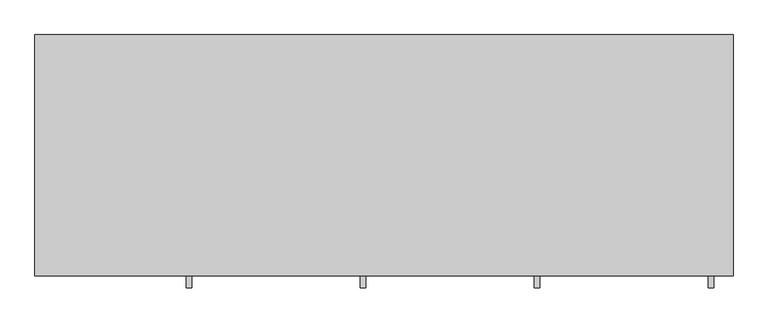
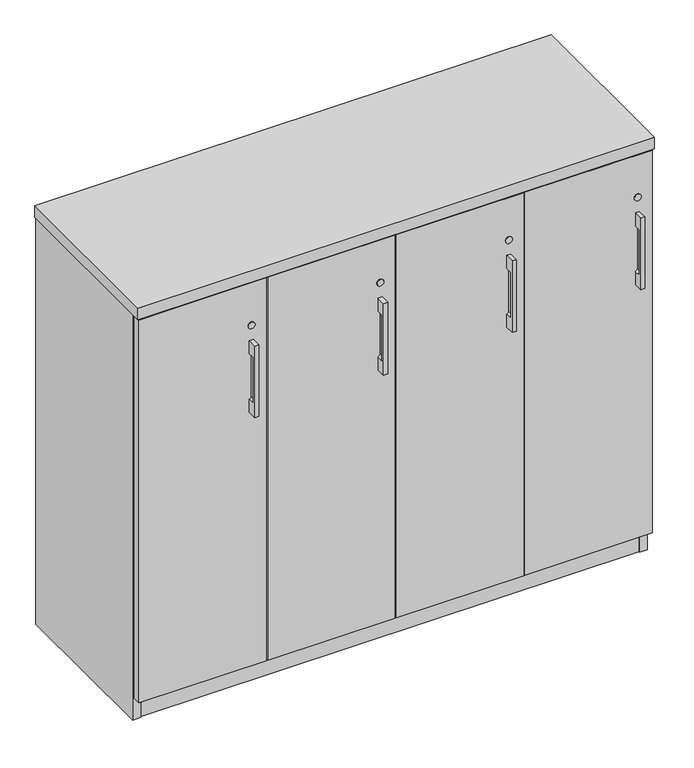
"""IFC4 building model written with IfcOpenShell, lengths in millimetres: furniture geometry."""

from ifc_helpers import new_model, si_unit, point, frame, frame_2d, origin, origin_with_axes, place, context, project, spatial, polyline, circle_curve, trimmed, segment, composite_curve, outline, extrude, source, transform, mapped, element, save
from ifc_brep_helpers import plane_surface, revolved_surface, advanced_brep


def furniture_5c139819(model_context):
    return source(origin(), model_context, "Body", "SolidModel", [
        advanced_brep(
        [(262.7312421, -447.8115021, 869.3658), (262.7312421, -447.8115021, 691.5658), (272.2562421, -447.8115021, 691.5658), (272.2562421, -447.8115021, 869.3658), (262.7312421, -425.5865021, 869.3658), (272.2562421, -425.5865021, 869.3658), (272.2562421, -425.5865021, 691.5658), (262.7312421, -425.5865021, 691.5658), (262.7312421, -425.5865021, 723.5174389), (267.4937421, -425.5865021, 729.6658), (267.4937421, -425.5865021, 831.2658), (262.7312421, -425.5865021, 837.4141611), (262.7312421, -441.523499, 837.4141611), (262.7312421, -441.523499, 723.5174389), (267.4937421, -441.523499, 831.2658), (267.4937421, -441.523499, 729.6658)],
        [
            (0, 1),
            (1, 2),
            (2, 3),
            (3, 0),
            (4, 5),
            (5, 6),
            (6, 7),
            (7, 8),
            (8, 9, circle_curve(frame((261.1437421, -425.5865021, 729.6658), z_axis=(0.0, -1.0, 0.0), x_axis=(1.0, 0.0, 0.0)), 6.35)),
            (9, 10),
            (10, 11, circle_curve(frame((261.1437421, -425.5865021, 831.2658), z_axis=(0.0, -1.0, 0.0), x_axis=(1.0, 0.0, 0.0)), 6.35)),
            (11, 4),
            (0, 4),
            (11, 12),
            (12, 13),
            (13, 8),
            (7, 1),
            (6, 2),
            (5, 3),
            (14, 15),
            (15, 13, circle_curve(frame((261.1437421, -441.523499, 729.6658), z_axis=(0.0, 1.0, 0.0), x_axis=(1.0, 0.0, 0.0)), 6.35)),
            (12, 14, circle_curve(frame((261.1437421, -441.523499, 831.2658), z_axis=(0.0, 1.0, 0.0), x_axis=(1.0, 0.0, 0.0)), 6.35)),
            (14, 10),
            (9, 15),
        ],
        [
            plane_surface(frame((262.7312421, -447.8115021, 691.5658), z_axis=(0.0, -1.0, 0.0), x_axis=(0.0, 0.0, -1.0))),
            plane_surface(frame((262.7312421, -425.5865021, 691.5658), z_axis=(0.0, 1.0, 0.0), x_axis=(0.0, 0.0, 1.0))),
            plane_surface(frame((262.7312421, -447.8115021, 869.3658), z_axis=(-1.0, 0.0, 0.0), x_axis=(0.0, 1.0, 0.0))),
            plane_surface(frame((262.7312421, -447.8115021, 691.5658), z_axis=(0.0, 0.0, -1.0), x_axis=(0.0, 1.0, 0.0))),
            plane_surface(frame((272.2562421, -447.8115021, 691.5658), z_axis=(1.0, 0.0, 0.0), x_axis=(0.0, 1.0, 0.0))),
            plane_surface(frame((272.2562421, -447.8115021, 869.3658), z_axis=(0.0, 0.0, 1.0), x_axis=(0.0, 1.0, 0.0))),
            plane_surface(frame((248.4437421, -441.523499, 837.6158), z_axis=(0.0, 1.0, 0.0), x_axis=(-1.0, 0.0, 0.0))),
            plane_surface(frame((267.4937421, -441.523499, 729.6658), z_axis=(-1.0, 0.0, 0.0), x_axis=(0.0, 1.0, 0.0))),
            revolved_surface(polyline([(267.4937421, -441.523499, 729.6658), (267.4937421, -425.5865021, 729.6658)]), (261.1437421, -425.5865021, 729.6658), (0.0, -1.0, 0.0)),
            revolved_surface(polyline([(267.4937421, -441.523499, 831.2658), (267.4937421, -425.5865021, 831.2658)]), (261.1437421, -425.5865021, 831.2658), (0.0, -1.0, 0.0)),
        ],
        [
            (0, [[1, 2, 3, 4]]),
            (1, [[5, 6, 7, 8, 9, 10, 11, 12]]),
            (2, [[-1, 13, -12, 14, 15, 16, -8, 17]]),
            (3, [[-2, -17, -7, 18]]),
            (4, [[-3, -18, -6, 19]]),
            (5, [[-4, -19, -5, -13]]),
            (6, [[20, 21, -15, 22]]),
            (7, [[-20, 23, -10, 24]]),
            (8, [[-24, -9, -16, -21]]),
            (9, [[-23, -22, -14, -11]]),
        ],
    ),
        advanced_brep(
        [(1169.9875158, -447.8115021, 869.3658), (1169.9875158, -447.8115021, 691.5658), (1179.5125158, -447.8115021, 691.5658), (1179.5125158, -447.8115021, 869.3658), (1169.9875158, -425.5865021, 869.3658), (1179.5125158, -425.5865021, 869.3658), (1179.5125158, -425.5865021, 691.5658), (1169.9875158, -425.5865021, 691.5658), (1169.9875158, -425.5865021, 723.5174389), (1174.7500158, -425.5865021, 729.6658), (1174.7500158, -425.5865021, 831.2658), (1169.9875158, -425.5865021, 837.4141611), (1169.9875158, -441.523499, 837.4141611), (1169.9875158, -441.523499, 723.5174389), (1174.7500158, -441.523499, 831.2658), (1174.7500158, -441.523499, 729.6658)],
        [
            (0, 1),
            (1, 2),
            (2, 3),
            (3, 0),
            (4, 5),
            (5, 6),
            (6, 7),
            (7, 8),
            (8, 9, circle_curve(frame((1168.4000158, -425.5865021, 729.6658), z_axis=(0.0, -1.0, 0.0), x_axis=(1.0, 0.0, 0.0)), 6.35)),
            (9, 10),
            (10, 11, circle_curve(frame((1168.4000158, -425.5865021, 831.2658), z_axis=(0.0, -1.0, 0.0), x_axis=(1.0, 0.0, 0.0)), 6.35)),
            (11, 4),
            (0, 4),
            (11, 12),
            (12, 13),
            (13, 8),
            (7, 1),
            (6, 2),
            (5, 3),
            (14, 15),
            (15, 13, circle_curve(frame((1168.4000158, -441.523499, 729.6658), z_axis=(0.0, 1.0, 0.0), x_axis=(1.0, 0.0, 0.0)), 6.35)),
            (12, 14, circle_curve(frame((1168.4000158, -441.523499, 831.2658), z_axis=(0.0, 1.0, 0.0), x_axis=(1.0, 0.0, 0.0)), 6.35)),
            (14, 10),
            (9, 15),
        ],
        [
            plane_surface(frame((1169.9875158, -447.8115021, 691.5658), z_axis=(0.0, -1.0, 0.0), x_axis=(0.0, 0.0, -1.0))),
            plane_surface(frame((1169.9875158, -425.5865021, 691.5658), z_axis=(0.0, 1.0, 0.0), x_axis=(0.0, 0.0, 1.0))),
            plane_surface(frame((1169.9875158, -447.8115021, 869.3658), z_axis=(-1.0, 0.0, 0.0), x_axis=(0.0, 1.0, 0.0))),
            plane_surface(frame((1169.9875158, -447.8115021, 691.5658), z_axis=(0.0, 0.0, -1.0), x_axis=(0.0, 1.0, 0.0))),
            plane_surface(frame((1179.5125158, -447.8115021, 691.5658), z_axis=(1.0, 0.0, 0.0), x_axis=(0.0, 1.0, 0.0))),
            plane_surface(frame((1179.5125158, -447.8115021, 869.3658), z_axis=(0.0, 0.0, 1.0), x_axis=(0.0, 1.0, 0.0))),
            plane_surface(frame((1155.7000158, -441.523499, 837.6158), z_axis=(0.0, 1.0, 0.0), x_axis=(-1.0, 0.0, 0.0))),
            plane_surface(frame((1174.7500158, -441.523499, 729.6658), z_axis=(-1.0, 0.0, 0.0), x_axis=(0.0, 1.0, 0.0))),
            revolved_surface(polyline([(1174.7500157999998, -441.523499, 729.6658), (1174.7500157999998, -425.5865021, 729.6658)]), (1168.4000158, -425.5865021, 729.6658), (0.0, -1.0, 0.0)),
            revolved_surface(polyline([(1174.7500157999998, -441.523499, 831.2658), (1174.7500157999998, -425.5865021, 831.2658)]), (1168.4000158, -425.5865021, 831.2658), (0.0, -1.0, 0.0)),
        ],
        [
            (0, [[1, 2, 3, 4]]),
            (1, [[5, 6, 7, 8, 9, 10, 11, 12]]),
            (2, [[-1, 13, -12, 14, 15, 16, -8, 17]]),
            (3, [[-2, -17, -7, 18]]),
            (4, [[-3, -18, -6, 19]]),
            (5, [[-4, -19, -5, -13]]),
            (6, [[20, 21, -15, 22]]),
            (7, [[-20, 23, -10, 24]]),
            (8, [[-24, -9, -16, -21]]),
            (9, [[-23, -22, -14, -11]]),
        ],
    ),
        advanced_brep(
        [(867.5687579, -447.8115021, 869.3658), (867.5687579, -447.8115021, 691.5658), (877.0937579, -447.8115021, 691.5658), (877.0937579, -447.8115021, 869.3658), (867.5687579, -425.5865021, 869.3658), (877.0937579, -425.5865021, 869.3658), (877.0937579, -425.5865021, 691.5658), (867.5687579, -425.5865021, 691.5658), (867.5687579, -425.5865021, 723.5174389), (872.3312579, -425.5865021, 729.6658), (872.3312579, -425.5865021, 831.2658), (867.5687579, -425.5865021, 837.4141611), (867.5687579, -441.523499, 837.4141611), (867.5687579, -441.523499, 723.5174389), (872.3312579, -441.523499, 831.2658), (872.3312579, -441.523499, 729.6658)],
        [
            (0, 1),
            (1, 2),
            (2, 3),
            (3, 0),
            (4, 5),
            (5, 6),
            (6, 7),
            (7, 8),
            (8, 9, circle_curve(frame((865.9812579, -425.5865021, 729.6658), z_axis=(0.0, -1.0, 0.0), x_axis=(1.0, 0.0, 0.0)), 6.35)),
            (9, 10),
            (10, 11, circle_curve(frame((865.9812579, -425.5865021, 831.2658), z_axis=(0.0, -1.0, 0.0), x_axis=(1.0, 0.0, 0.0)), 6.35)),
            (11, 4),
            (0, 4),
            (11, 12),
            (12, 13),
            (13, 8),
            (7, 1),
            (6, 2),
            (5, 3),
            (14, 15),
            (15, 13, circle_curve(frame((865.9812579, -441.523499, 729.6658), z_axis=(0.0, 1.0, 0.0), x_axis=(1.0, 0.0, 0.0)), 6.35)),
            (12, 14, circle_curve(frame((865.9812579, -441.523499, 831.2658), z_axis=(0.0, 1.0, 0.0), x_axis=(1.0, 0.0, 0.0)), 6.35)),
            (14, 10),
            (9, 15),
        ],
        [
            plane_surface(frame((867.5687579, -447.8115021, 691.5658), z_axis=(0.0, -1.0, 0.0), x_axis=(0.0, 0.0, -1.0))),
            plane_surface(frame((867.5687579, -425.5865021, 691.5658), z_axis=(0.0, 1.0, 0.0), x_axis=(0.0, 0.0, 1.0))),
            plane_surface(frame((867.5687579, -447.8115021, 869.3658), z_axis=(-1.0, 0.0, 0.0), x_axis=(0.0, 1.0, 0.0))),
            plane_surface(frame((867.5687579, -447.8115021, 691.5658), z_axis=(0.0, 0.0, -1.0), x_axis=(0.0, 1.0, 0.0))),
            plane_surface(frame((877.0937579, -447.8115021, 691.5658), z_axis=(1.0, 0.0, 0.0), x_axis=(0.0, 1.0, 0.0))),
            plane_surface(frame((877.0937579, -447.8115021, 869.3658), z_axis=(0.0, 0.0, 1.0), x_axis=(0.0, 1.0, 0.0))),
            plane_surface(frame((853.2812579, -441.523499, 837.6158), z_axis=(0.0, 1.0, 0.0), x_axis=(-1.0, 0.0, 0.0))),
            plane_surface(frame((872.3312579, -441.523499, 729.6658), z_axis=(-1.0, 0.0, 0.0), x_axis=(0.0, 1.0, 0.0))),
            revolved_surface(polyline([(872.3312579, -441.523499, 729.6658), (872.3312579, -425.5865021, 729.6658)]), (865.9812579, -425.5865021, 729.6658), (0.0, -1.0, 0.0)),
            revolved_surface(polyline([(872.3312579, -441.523499, 831.2658), (872.3312579, -425.5865021, 831.2658)]), (865.9812579, -425.5865021, 831.2658), (0.0, -1.0, 0.0)),
        ],
        [
            (0, [[1, 2, 3, 4]]),
            (1, [[5, 6, 7, 8, 9, 10, 11, 12]]),
            (2, [[-1, 13, -12, 14, 15, 16, -8, 17]]),
            (3, [[-2, -17, -7, 18]]),
            (4, [[-3, -18, -6, 19]]),
            (5, [[-4, -19, -5, -13]]),
            (6, [[20, 21, -15, 22]]),
            (7, [[-20, 23, -10, 24]]),
            (8, [[-24, -9, -16, -21]]),
            (9, [[-23, -22, -14, -11]]),
        ],
    ),
        advanced_brep(
        [(565.15, -447.8115021, 869.3658), (565.15, -447.8115021, 691.5658), (574.675, -447.8115021, 691.5658), (574.675, -447.8115021, 869.3658), (565.15, -425.5865021, 869.3658), (574.675, -425.5865021, 869.3658), (574.675, -425.5865021, 691.5658), (565.15, -425.5865021, 691.5658), (565.15, -425.5865021, 723.5174389), (569.9125, -425.5865021, 729.6658), (569.9125, -425.5865021, 831.2658), (565.15, -425.5865021, 837.4141611), (565.15, -441.523499, 837.4141611), (565.15, -441.523499, 723.5174389), (569.9125, -441.523499, 831.2658), (569.9125, -441.523499, 729.6658)],
        [
            (0, 1),
            (1, 2),
            (2, 3),
            (3, 0),
            (4, 5),
            (5, 6),
            (6, 7),
            (7, 8),
            (8, 9, circle_curve(frame((563.5625, -425.5865021, 729.6658), z_axis=(0.0, -1.0, 0.0), x_axis=(1.0, 0.0, 0.0)), 6.35)),
            (9, 10),
            (10, 11, circle_curve(frame((563.5625, -425.5865021, 831.2658), z_axis=(0.0, -1.0, 0.0), x_axis=(1.0, 0.0, 0.0)), 6.35)),
            (11, 4),
            (0, 4),
            (11, 12),
            (12, 13),
            (13, 8),
            (7, 1),
            (6, 2),
            (5, 3),
            (14, 15),
            (15, 13, circle_curve(frame((563.5625, -441.523499, 729.6658), z_axis=(0.0, 1.0, 0.0), x_axis=(1.0, 0.0, 0.0)), 6.35)),
            (12, 14, circle_curve(frame((563.5625, -441.523499, 831.2658), z_axis=(0.0, 1.0, 0.0), x_axis=(1.0, 0.0, 0.0)), 6.35)),
            (14, 10),
            (9, 15),
        ],
        [
            plane_surface(frame((565.15, -447.8115021, 691.5658), z_axis=(0.0, -1.0, 0.0), x_axis=(0.0, 0.0, -1.0))),
            plane_surface(frame((565.15, -425.5865021, 691.5658), z_axis=(0.0, 1.0, 0.0), x_axis=(0.0, 0.0, 1.0))),
            plane_surface(frame((565.15, -447.8115021, 869.3658), z_axis=(-1.0, 0.0, 0.0), x_axis=(0.0, 1.0, 0.0))),
            plane_surface(frame((565.15, -447.8115021, 691.5658), z_axis=(0.0, 0.0, -1.0), x_axis=(0.0, 1.0, 0.0))),
            plane_surface(frame((574.675, -447.8115021, 691.5658), z_axis=(1.0, 0.0, 0.0), x_axis=(0.0, 1.0, 0.0))),
            plane_surface(frame((574.675, -447.8115021, 869.3658), z_axis=(0.0, 0.0, 1.0), x_axis=(0.0, 1.0, 0.0))),
            plane_surface(frame((550.8625, -441.523499, 837.6158), z_axis=(0.0, 1.0, 0.0), x_axis=(-1.0, 0.0, 0.0))),
            plane_surface(frame((569.9125, -441.523499, 729.6658), z_axis=(-1.0, 0.0, 0.0), x_axis=(0.0, 1.0, 0.0))),
            revolved_surface(polyline([(569.9125, -441.523499, 729.6658), (569.9125, -425.5865021, 729.6658)]), (563.5625, -425.5865021, 729.6658), (0.0, -1.0, 0.0)),
            revolved_surface(polyline([(569.9125, -441.523499, 831.2658), (569.9125, -425.5865021, 831.2658)]), (563.5625, -425.5865021, 831.2658), (0.0, -1.0, 0.0)),
        ],
        [
            (0, [[1, 2, 3, 4]]),
            (1, [[5, 6, 7, 8, 9, 10, 11, 12]]),
            (2, [[-1, 13, -12, 14, 15, 16, -8, 17]]),
            (3, [[-2, -17, -7, 18]]),
            (4, [[-3, -18, -6, 19]]),
            (5, [[-4, -19, -5, -13]]),
            (6, [[20, 21, -15, 22]]),
            (7, [[-20, 23, -10, 24]]),
            (8, [[-24, -9, -16, -21]]),
            (9, [[-23, -22, -14, -11]]),
        ],
    ),
        extrude(outline(polyline([(1150.5192181, -345.6312472), (1166.4670759, -336.4237472), (1182.4149337, -345.6312472), (1182.4149337, -364.0462472), (1166.4670759, -373.2537472), (1150.5192181, -364.0462472), (1150.5192181, -345.6312472)])), origin_with_axes(), (0.0, 0.0, 1.0), 9.144),
        extrude(outline(polyline([(1150.5192181, -47.1181713), (1166.4670759, -37.9106713), (1182.4149337, -47.1181713), (1182.4149337, -65.5331713), (1166.4670759, -74.7406713), (1150.5192181, -65.5331713), (1150.5192181, -47.1181713)])), origin_with_axes(), (0.0, 0.0, 1.0), 9.144),
        extrude(outline(polyline([(30.4350663, -345.6312472), (46.3829241, -336.4237472), (62.3307819, -345.6312472), (62.3307819, -364.0462472), (46.3829241, -373.2537472), (30.4350663, -364.0462472), (30.4350663, -345.6312472)])), origin_with_axes(), (0.0, 0.0, 1.0), 9.144),
        extrude(outline(polyline([(30.4350663, -47.1181713), (46.3829241, -37.9106713), (62.3307819, -47.1181713), (62.3307819, -65.5331713), (46.3829241, -74.7406713), (30.4350663, -65.5331713), (30.4350663, -47.1181713)])), origin_with_axes(), (0.0, 0.0, 1.0), 9.144),
        extrude(outline(polyline([(587.1210079, -30.4938704), (606.4250079, -30.4938704), (606.4250079, -401.5835036), (587.1210079, -401.5835036), (587.1210079, -30.4938704)])), frame((0.0, 0.0, 79.57058), z_axis=(0.0, 0.0, 1.0), x_axis=(1.0, 0.0, 0.0)), (0.0, 0.0, 1.0), 935.08322),
        extrude(outline(polyline([(889.5397579, -30.4938704), (908.8437579, -30.4938704), (908.8437579, -401.5835036), (889.5397579, -401.5835036), (889.5397579, -30.4938704)])), frame((0.0, 0.0, 79.57058), z_axis=(0.0, 0.0, 1.0), x_axis=(1.0, 0.0, 0.0)), (0.0, 0.0, 1.0), 935.08322),
        extrude(outline(polyline([(304.0062421, -30.4938704), (304.0062421, -401.5835036), (284.7022421, -401.5835036), (284.7022421, -30.4938704), (304.0062421, -30.4938704)])), frame((0.0, 0.0, 79.57058), z_axis=(0.0, 0.0, 1.0), x_axis=(1.0, 0.0, 0.0)), (0.0, 0.0, 1.0), 935.08322),
        extrude(outline(polyline([(1191.9585154, -11.1898712), (1191.9585154, -30.4938704), (20.8915005, -30.4938704), (20.8915005, -11.1898712), (1191.9585154, -11.1898712)])), frame((0.0, 0.0, 4.699), z_axis=(0.0, 0.0, 1.0), x_axis=(1.0, 0.0, 0.0)), (0.0, 0.0, 1.0), 1009.9548),
        extrude(outline(polyline([(20.8915005, -9.6658713), (20.8915005, -403.1075021), (1.5874842, -403.1075021), (1.5874842, -9.6658713), (20.8915005, -9.6658713)])), frame((0.0, 0.0, 4.699), z_axis=(0.0, 0.0, 1.0), x_axis=(1.0, 0.0, 0.0)), (0.0, 0.0, 1.0), 1009.9548),
        extrude(outline(polyline([(1191.9585154, -9.6658713), (1211.2625158, -9.6658713), (1211.2625158, -403.1075021), (1191.9585154, -403.1075021), (1191.9585154, -9.6658713)])), frame((0.0, 0.0, 4.699), z_axis=(0.0, 0.0, 1.0), x_axis=(1.0, 0.0, 0.0)), (0.0, 0.0, 1.0), 1009.9548),
        extrude(outline(polyline([(625.7290079, -30.4938704), (625.7290079, -401.5835036), (606.4250079, -401.5835036), (606.4250079, -30.4938704), (625.7290079, -30.4938704)])), frame((0.0, 0.0, 79.57058), z_axis=(0.0, 0.0, 1.0), x_axis=(1.0, 0.0, 0.0)), (0.0, 0.0, 1.0), 935.08322),
        extrude(outline(polyline([(304.0062421, -30.4938704), (323.3102421, -30.4938704), (323.3102421, -401.5835036), (304.0062421, -401.5835036), (304.0062421, -30.4938704)])), frame((0.0, 0.0, 79.57058), z_axis=(0.0, 0.0, 1.0), x_axis=(1.0, 0.0, 0.0)), (0.0, 0.0, 1.0), 935.08322),
        extrude(outline(polyline([(928.1477579, -30.4938704), (928.1477579, -401.5835036), (908.8437579, -401.5835036), (908.8437579, -30.4938704), (928.1477579, -30.4938704)])), frame((0.0, 0.0, 79.57058), z_axis=(0.0, 0.0, 1.0), x_axis=(1.0, 0.0, 0.0)), (0.0, 0.0, 1.0), 935.08322),
        extrude(outline(polyline([(1191.9585154, -30.4938704), (1191.9585154, -402.7264934), (20.8915005, -402.7264934), (20.8915005, -30.4938704), (1191.9585154, -30.4938704)])), frame((0.0, 0.0, 995.3498), z_axis=(0.0, 0.0, 1.0), x_axis=(1.0, 0.0, 0.0)), (0.0, 0.0, 1.0), 19.304),
        extrude(outline(polyline([(1212.85, -8.0783713), (1212.85, -427.1783713), (0.0, -427.1783713), (0.0, -8.0783713), (1212.85, -8.0783713)])), frame((0.0, 0.0, 1014.6538031), z_axis=(0.0, 0.0, 1.0), x_axis=(1.0, 0.0, 0.0)), (0.0, 0.0, 1.0), 28.5749969),
        extrude(outline(polyline([(1191.9585154, -30.4938704), (1191.9585154, -402.7264934), (20.8915005, -402.7264934), (20.8915005, -30.4938704), (1191.9585154, -30.4938704)])), frame((0.0, 0.0, 60.26658), z_axis=(0.0, 0.0, 1.0), x_axis=(1.0, 0.0, 0.0)), (0.0, 0.0, 1.0), 19.304),
        extrude(outline(polyline([(1191.9585154, -401.5835036), (20.8915005, -401.5835036), (20.8915005, -382.2795036), (1191.9585154, -382.2795036), (1191.9585154, -401.5835036)])), frame((0.0, 0.0, 4.699), z_axis=(0.0, 0.0, 1.0), x_axis=(1.0, 0.0, 0.0)), (0.0, 0.0, 1.0), 55.56758),
        extrude(outline(composite_curve([segment(trimmed(circle_curve(frame_2d((906.7038, 267.4937421)), 8.001), [point((906.7038, 259.4927421))], [point((906.7038, 275.4947421))], False, "CARTESIAN"), True, "CONTINUOUS"), segment(trimmed(circle_curve(frame_2d((906.7038, 267.4937421)), 8.001), [point((906.7038, 275.4947421))], [point((906.7038, 259.4927421))], False, "CARTESIAN"), True, "CONTINUOUS")], self_intersect=False)), frame((0.0, -427.1783713, 0.0), z_axis=(0.0, 1.0, 0.0), x_axis=(0.0, 0.0, 1.0)), (0.0, 0.0, 1.0), 1.5918692),
        extrude(outline(composite_curve([segment(trimmed(circle_curve(frame_2d((906.7038, 569.9125)), 8.001), [point((906.7038, 561.9115))], [point((906.7038, 577.9135))], False, "CARTESIAN"), True, "CONTINUOUS"), segment(trimmed(circle_curve(frame_2d((906.7038, 569.9125)), 8.001), [point((906.7038, 577.9135))], [point((906.7038, 561.9115))], False, "CARTESIAN"), True, "CONTINUOUS")], self_intersect=False)), frame((0.0, -427.1783713, 0.0), z_axis=(0.0, 1.0, 0.0), x_axis=(0.0, 0.0, 1.0)), (0.0, 0.0, 1.0), 1.5918692),
        extrude(outline(composite_curve([segment(trimmed(circle_curve(frame_2d((906.7038, 872.3312579)), 8.001), [point((906.7038, 864.3302579))], [point((906.7038, 880.3322579))], False, "CARTESIAN"), True, "CONTINUOUS"), segment(trimmed(circle_curve(frame_2d((906.7038, 872.3312579)), 8.001), [point((906.7038, 880.3322579))], [point((906.7038, 864.3302579))], False, "CARTESIAN"), True, "CONTINUOUS")], self_intersect=False)), frame((0.0, -427.1783713, 0.0), z_axis=(0.0, 1.0, 0.0), x_axis=(0.0, 0.0, 1.0)), (0.0, 0.0, 1.0), 1.5918692),
        extrude(outline(composite_curve([segment(trimmed(circle_curve(frame_2d((906.7038, 1174.7500158)), 8.001), [point((906.7038, 1166.7490158))], [point((906.7038, 1182.7510158))], False, "CARTESIAN"), True, "CONTINUOUS"), segment(trimmed(circle_curve(frame_2d((906.7038, 1174.7500158)), 8.001), [point((906.7038, 1182.7510158))], [point((906.7038, 1166.7490158))], False, "CARTESIAN"), True, "CONTINUOUS")], self_intersect=False)), frame((0.0, -427.1783713, 0.0), z_axis=(0.0, 1.0, 0.0), x_axis=(0.0, 0.0, 1.0)), (0.0, 0.0, 1.0), 1.5918692),
        extrude(outline(polyline([(302.4187421, -425.5865021), (3.175, -425.5865021), (3.175, -406.2825021), (302.4187421, -406.2825021), (302.4187421, -425.5865021)])), frame((0.0, 0.0, 60.26658), z_axis=(0.0, 0.0, 1.0), x_axis=(1.0, 0.0, 0.0)), (0.0, 0.0, 1.0), 951.2122352),
        extrude(outline(polyline([(604.8375, -425.5865021), (305.5937421, -425.5865021), (305.5937421, -406.2825021), (604.8375, -406.2825021), (604.8375, -425.5865021)])), frame((0.0, 0.0, 60.26658), z_axis=(0.0, 0.0, 1.0), x_axis=(1.0, 0.0, 0.0)), (0.0, 0.0, 1.0), 951.2122352),
        extrude(outline(polyline([(907.2562579, -425.5865021), (608.0125, -425.5865021), (608.0125, -406.2825021), (907.2562579, -406.2825021), (907.2562579, -425.5865021)])), frame((0.0, 0.0, 60.26658), z_axis=(0.0, 0.0, 1.0), x_axis=(1.0, 0.0, 0.0)), (0.0, 0.0, 1.0), 951.2122352),
        extrude(outline(polyline([(1209.6750158, -425.5865021), (910.4312579, -425.5865021), (910.4312579, -406.2825021), (1209.6750158, -406.2825021), (1209.6750158, -425.5865021)])), frame((0.0, 0.0, 60.26658), z_axis=(0.0, 0.0, 1.0), x_axis=(1.0, 0.0, 0.0)), (0.0, 0.0, 1.0), 951.2122352),
    ])


if __name__ == "__main__":
    model = new_model("IFC4")
    model_context = context("Model", 3, world=origin())
    ifc_project = project(units=[si_unit("LENGTHUNIT", "METRE", prefix="MILLI")], contexts=[model_context])
    site = spatial("IfcSite", under=ifc_project)
    building = spatial("IfcBuilding", under=site)
    placement = place(None, origin())
    furniture_shape = furniture_5c139819(model_context)
    element("IfcFurniture", 1, at=placement, inside=building, context=model_context, shape_type="MappedRepresentation", body=[
        mapped(furniture_shape, transform((0.0, 0.0, 0.0), x_axis=(1.0, 0.0, 0.0), y_axis=(0.0, 1.0, 0.0), z_axis=(0.0, 0.0, 1.0))),
    ])
    save(model, "model.ifc")
